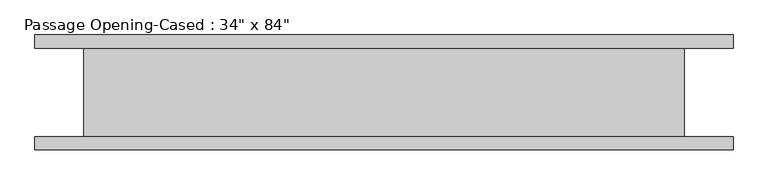
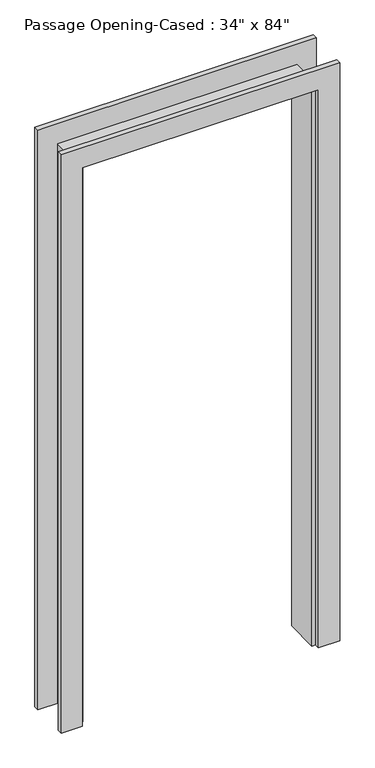
"""IFC4 building model written with IfcOpenShell, lengths in millimetres: proxy geometry."""

from ifc_helpers import new_model, si_unit, frame, origin, place, context, project, spatial, polyline, outline, extrude, faceted_brep, source, transform, mapped, element, save


def proxy_f8987273(model_context):
    return source(origin(), model_context, "Body", "SolidModel", [
        extrude(outline(polyline([(0.0, -433.6386567), (2127.25, -433.6386567), (2127.25, 417.2613433), (0.0, 417.2613433), (0.0, 493.4613433), (2203.45, 493.4613433), (2203.45, -509.8386567), (0.0, -509.8386567), (0.0, -433.6386567)])), frame((0.0, -82.55, 0.0), z_axis=(0.0, 1.0, 0.0), x_axis=(0.0, 0.0, 1.0)), (0.0, 0.0, 1.0), 19.05),
        extrude(outline(polyline([(0.0, 493.4613433), (2209.8, 493.4613433), (2209.8, -509.8386567), (0.0, -509.8386567), (0.0, -433.6386567), (2127.25, -433.6386567), (2127.25, 417.2613433), (0.0, 417.2613433), (0.0, 493.4613433)])), frame((0.0, 63.5, 0.0), z_axis=(0.0, 1.0, 0.0), x_axis=(0.0, 0.0, 1.0)), (0.0, 0.0, 1.0), 19.05),
        faceted_brep([(404.5613433, 63.5, 0.0), (423.6113433, 63.5, 0.0), (423.6113433, -63.5, 0.0), (404.5613433, -63.5, 0.0), (404.5613433, 63.5, 2114.55), (423.6113433, 63.5, 2133.6), (423.6113433, -63.5, 2133.6), (404.5613433, -63.5, 2114.55), (-420.9386567, 63.5, 2114.55), (-439.9886567, 63.5, 2133.6), (-439.9886567, -63.5, 2133.6), (-420.9386567, -63.5, 2114.55), (-420.9386567, 63.5, 0.0), (-420.9386567, -63.5, 0.0), (-439.9886567, -63.5, 0.0), (-439.9886567, 63.5, 0.0)], [[[0, 1, 2, 3]], [[1, 0, 4, 5]], [[2, 1, 5, 6]], [[3, 2, 6, 7]], [[0, 3, 7, 4]], [[5, 4, 8, 9]], [[6, 5, 9, 10]], [[7, 6, 10, 11]], [[4, 7, 11, 8]], [[12, 13, 14, 15]], [[9, 8, 12, 15]], [[10, 9, 15, 14]], [[11, 10, 14, 13]], [[8, 11, 13, 12]]]),
    ])


if __name__ == "__main__":
    model = new_model("IFC4")
    model_context = context("Model", 3, world=origin())
    ifc_project = project(units=[si_unit("LENGTHUNIT", "METRE", prefix="MILLI")], contexts=[model_context])
    site = spatial("IfcSite", under=ifc_project)
    building = spatial("IfcBuilding", under=site)
    placement = place(None, origin())
    proxy_shape = proxy_f8987273(model_context)
    element("IfcBuildingElementProxy", 1, Name="Passage Opening-Cased : 34\" x 84\"", ObjectType="Passage Opening-Cased : 34\" x 84\"", at=placement, inside=building, context=model_context, shape_type="MappedRepresentation", body=[
        mapped(proxy_shape, transform((0.0, 0.0, 0.0), x_axis=(1.0, 0.0, 0.0), y_axis=(0.0, 1.0, 0.0), z_axis=(0.0, 0.0, 1.0))),
    ])
    save(model, "model.ifc")
